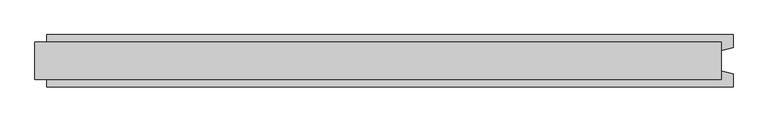
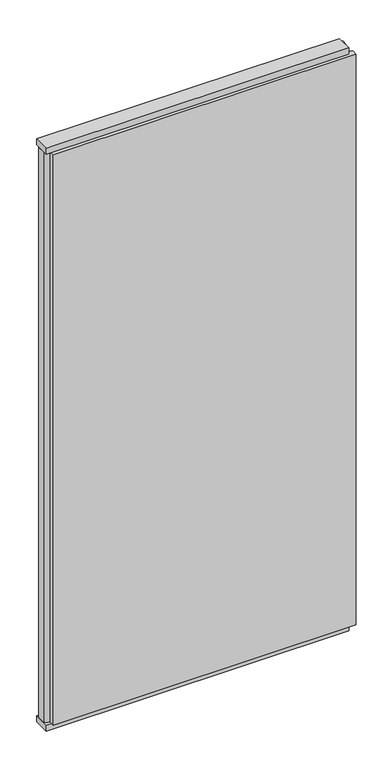
"""IFC4 building model written with IfcOpenShell, lengths in millimetres: plate geometry."""

from ifc_helpers import new_model, si_unit, frame, origin, origin_with_axes, place, context, project, spatial, polyline, outline, extrude, source, transform, mapped, element, save


def plate_0d4012c5(model_context):
    return source(origin(), model_context, "Body", "SweptSolid", [
        extrude(outline(polyline([(590.0, 32.0), (590.0, -32.0), (-590.0, -32.0), (-590.0, 32.0), (590.0, 32.0)])), origin_with_axes(), (0.0, 0.0, 1.0), 25.0),
        extrude(outline(polyline([(590.0, 32.0), (590.0, -32.0), (-590.0, -32.0), (-590.0, 32.0), (590.0, 32.0)])), frame((0.0, 0.0, 2375.0), z_axis=(0.0, 0.0, 1.0), x_axis=(1.0, 0.0, 0.0)), (0.0, 0.0, 1.0), 25.0),
        extrude(outline(polyline([(610.0, 45.0), (610.0, 22.9993165), (590.0, 17.6401049), (590.0, -17.6401049), (610.0, -22.9993165), (610.0, -45.0), (-570.0, -45.0), (-570.0, -22.9993165), (-590.0, -17.6401049), (-590.0, 17.6401049), (-570.0, 22.9993165), (-570.0, 45.0), (610.0, 45.0)])), frame((0.0, 0.0, 25.0), z_axis=(0.0, 0.0, 1.0), x_axis=(1.0, 0.0, 0.0)), (0.0, 0.0, 1.0), 2350.0),
    ])


if __name__ == "__main__":
    model = new_model("IFC4")
    model_context = context("Model", 3, world=origin())
    ifc_project = project(units=[si_unit("LENGTHUNIT", "METRE", prefix="MILLI")], contexts=[model_context])
    site = spatial("IfcSite", under=ifc_project)
    building = spatial("IfcBuilding", under=site)
    placement = place(None, origin())
    plate_shape = plate_0d4012c5(model_context)
    element("IfcPlate", 1, at=placement, inside=building, context=model_context, shape_type="MappedRepresentation", body=[
        mapped(plate_shape, transform((0.0, 0.0, 0.0), x_axis=(1.0, 0.0, 0.0), y_axis=(0.0, 1.0, 0.0), z_axis=(0.0, 0.0, 1.0))),
    ])
    save(model, "model.ifc")
